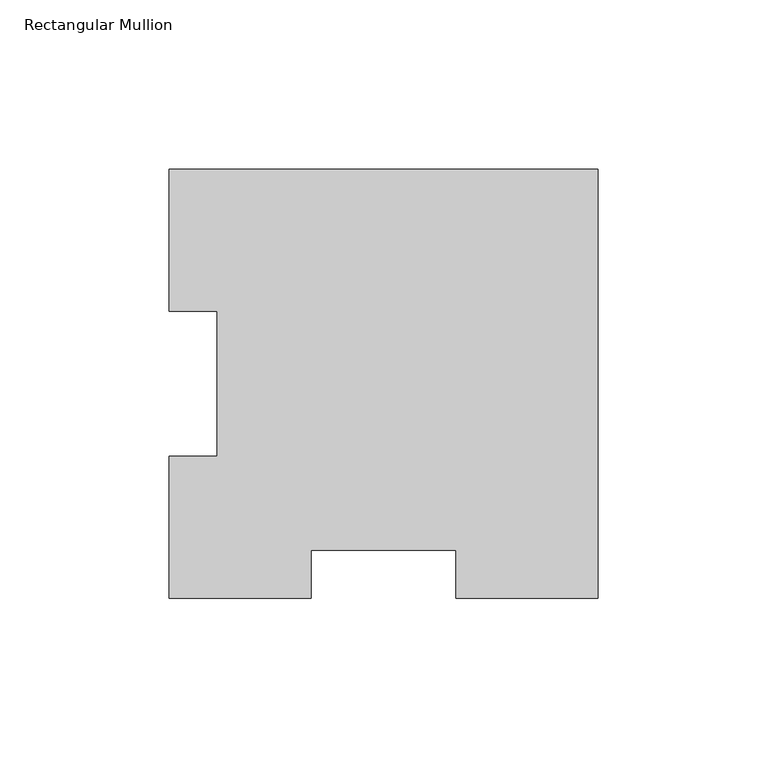
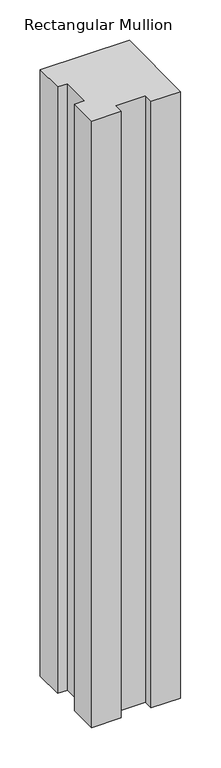
"""IFC4 building model written with IfcOpenShell, lengths in millimetres: member geometry, Rectangular Mullion."""

from ifc_helpers import new_model, si_unit, frame, origin, place, context, project, spatial, polyline, outline, extrude, source, transform, mapped, element, save


def rectangular_mullion_3aeab51d(model_context):
    return source(origin(), model_context, "Body", "SweptSolid", [
        extrude(outline(polyline([(-127.0, 127.00635), (0.0, 127.00635), (0.0, 0.00635), (-42.0751, 0.00635), (-42.0751, 14.29385), (-84.9249, 14.29385), (-84.9249, 0.00635), (-127.0, 0.00635), (-127.0, 42.08145), (-112.7125, 42.08145), (-112.7125, 84.93125), (-127.0, 84.93125), (-127.0, 127.00635)])), frame((0.0, 0.0, -914.4), z_axis=(0.0, 0.0, 1.0), x_axis=(1.0, 0.0, 0.0)), (0.0, 0.0, 1.0), 914.4),
    ])


if __name__ == "__main__":
    model = new_model("IFC4")
    model_context = context("Model", 3, world=origin())
    ifc_project = project(units=[si_unit("LENGTHUNIT", "METRE", prefix="MILLI")], contexts=[model_context])
    site = spatial("IfcSite", under=ifc_project)
    building = spatial("IfcBuilding", under=site)
    placement = place(None, origin())
    rectangular_mullion_shape = rectangular_mullion_3aeab51d(model_context)
    element("IfcMember", 1, ObjectType="Rectangular Mullion", at=placement, inside=building, context=model_context, shape_type="MappedRepresentation", body=[
        mapped(rectangular_mullion_shape, transform((0.0, 0.0, 0.0), x_axis=(1.0, 0.0, 0.0), y_axis=(0.0, 1.0, 0.0), z_axis=(0.0, 0.0, 1.0))),
    ])
    save(model, "model.ifc")
